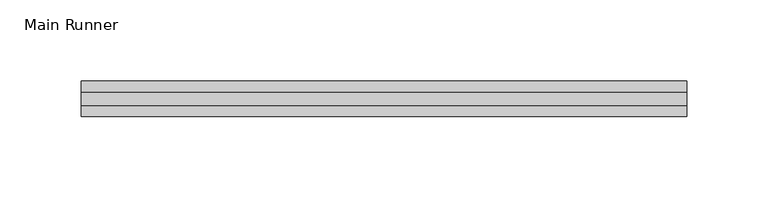
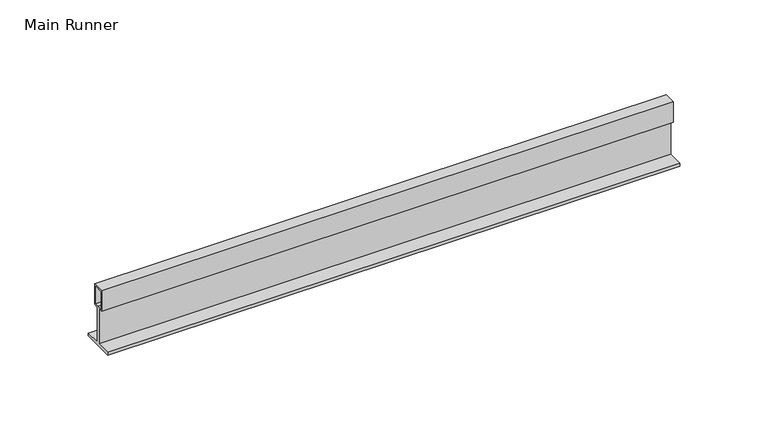
"""IFC4 building model written with IfcOpenShell, lengths in millimetres: beam geometry, Main Runner."""

from ifc_helpers import new_model, si_unit, frame, origin, place, context, project, spatial, polyline, outline, extrude, source, transform, mapped, element, save


def main_runner_0672422f(model_context):
    return source(origin(), model_context, "Body", "SweptSolid", [
        extrude(outline(polyline([(11.0, -2.0), (0.0, -2.0), (-11.0, -2.0), (-11.0, 0.0), (-1.0, 0.0), (-1.0, 24.0), (-4.0, 24.0), (-4.0, 38.1243468), (4.0, 38.1243468), (4.0, 24.0), (1.0, 24.0), (1.0, 0.0), (11.0, 0.0), (11.0, -2.0)]), holes=[polyline([(3.0, 37.1243468), (-3.0169966, 37.1243468), (-3.0169966, 25.0), (0.0, 25.0), (3.0, 25.0), (3.0, 37.1243468)])]), frame((-630.9999994, 0.0, 0.0), z_axis=(1.0, 0.0, 0.0), x_axis=(0.0, 1.0, 0.0)), (0.0, 0.0, 1.0), 372.8631772),
    ])


if __name__ == "__main__":
    model = new_model("IFC4")
    model_context = context("Model", 3, world=origin())
    ifc_project = project(units=[si_unit("LENGTHUNIT", "METRE", prefix="MILLI")], contexts=[model_context])
    site = spatial("IfcSite", under=ifc_project)
    building = spatial("IfcBuilding", under=site)
    placement = place(None, origin())
    main_runner_shape = main_runner_0672422f(model_context)
    element("IfcBeam", 1, ObjectType="Main Runner", at=placement, inside=building, context=model_context, shape_type="MappedRepresentation", body=[
        mapped(main_runner_shape, transform((0.0, 0.0, 0.0), x_axis=(1.0, 0.0, 0.0), y_axis=(0.0, 1.0, 0.0), z_axis=(0.0, 0.0, 1.0))),
    ])
    save(model, "model.ifc")
